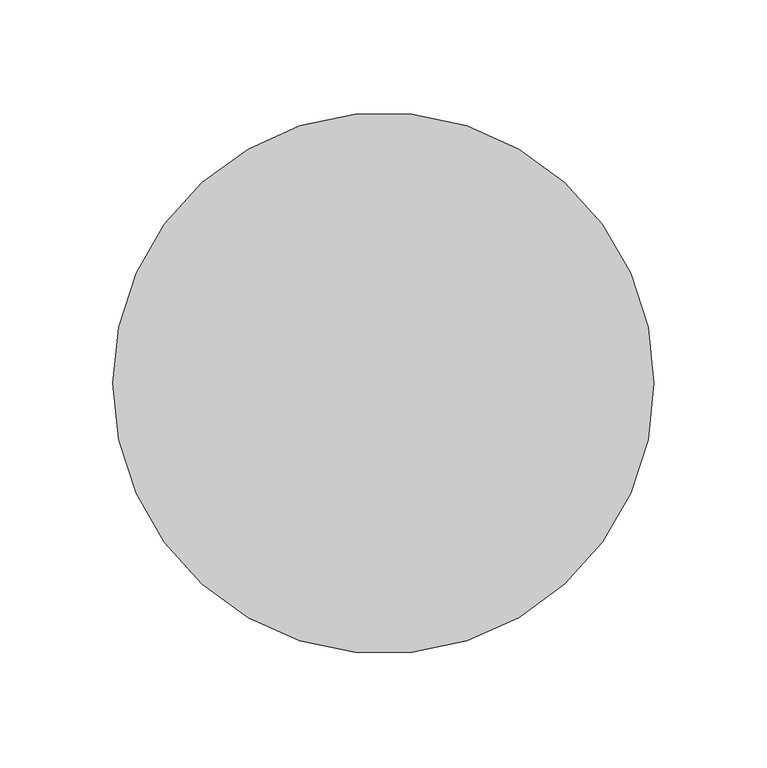
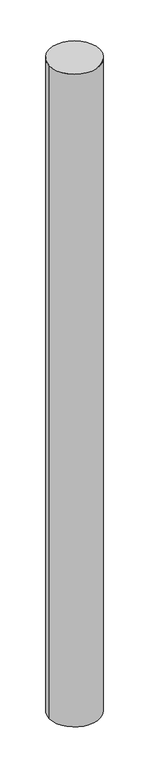
"""IFC4 building model written with IfcOpenShell, lengths in millimetres: column geometry."""

from ifc_helpers import new_model, si_unit, point, frame, origin, origin_2d, place, context, project, spatial, circle_curve, trimmed, segment, composite_curve, outline, extrude, source, transform, mapped, element, save


def column_20b4b83c(model_context):
    return source(origin(), model_context, "Body", "SweptSolid", [
        extrude(outline(composite_curve([segment(trimmed(circle_curve(origin_2d(), 120.0), [point((-120.0, 0.0))], [point((120.0, 0.0))], False, "CARTESIAN"), True, "CONTINUOUS"), segment(trimmed(circle_curve(origin_2d(), 120.0), [point((120.0, 0.0))], [point((-120.0, 0.0))], False, "CARTESIAN"), True, "CONTINUOUS")], self_intersect=False)), frame((0.0, 0.0, -100.0), z_axis=(0.0, 0.0, 1.0), x_axis=(1.0, 0.0, 0.0)), (0.0, 0.0, 1.0), 3300.0),
    ])


if __name__ == "__main__":
    model = new_model("IFC4")
    model_context = context("Model", 3, world=origin())
    ifc_project = project(units=[si_unit("LENGTHUNIT", "METRE", prefix="MILLI")], contexts=[model_context])
    site = spatial("IfcSite", under=ifc_project)
    building = spatial("IfcBuilding", under=site)
    placement = place(None, origin())
    column_shape = column_20b4b83c(model_context)
    element("IfcColumn", 1, at=placement, inside=building, context=model_context, shape_type="MappedRepresentation", body=[
        mapped(column_shape, transform((0.0, 0.0, 0.0), x_axis=(1.0, 0.0, 0.0), y_axis=(0.0, 1.0, 0.0), z_axis=(0.0, 0.0, 1.0))),
    ])
    save(model, "model.ifc")
